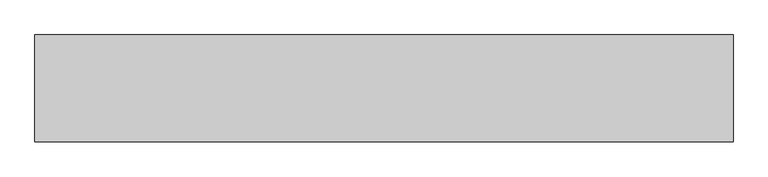
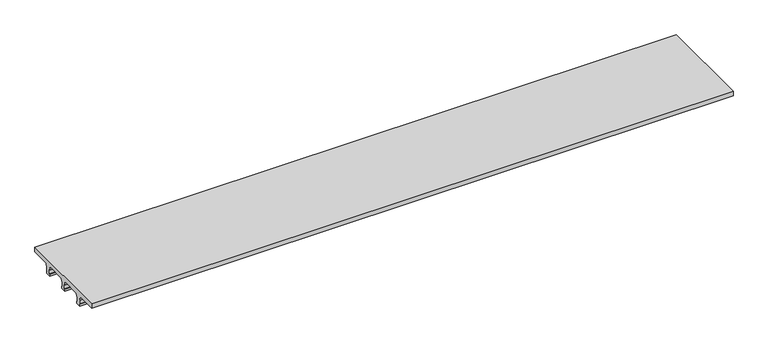
"""IFC4 building model written with IfcOpenShell, lengths in millimetres: proxy geometry."""

from ifc_helpers import new_model, si_unit, frame, origin, place, context, project, spatial, polyline, outline, extrude, source, transform, mapped, element, save


def generic_models_1f5d59e9(model_context):
    return source(origin(), model_context, "Body", "SweptSolid", [
        extrude(outline(polyline([(11994.5031943, 200.0), (11974.5031943, 120.0), (11974.5031943, 50.0), (11986.5031943, 50.0), (11986.5031943, 10.0), (11882.5031943, 10.0), (11882.5031943, 49.9310943), (11894.5031943, 49.9310943), (11894.5031943, 119.9310943), (11873.8876661, 202.3932068), (11505.0166413, 202.3932068), (11484.4183395, 120.0), (11484.4183395, 50.0), (11496.4183395, 50.0), (11496.4183395, 10.0), (11392.4183395, 10.0), (11392.4183395, 49.9310943), (11404.4183395, 49.9310943), (11404.4183395, 119.9310943), (11383.8028114, 202.3932068), (11014.9317865, 202.3932068), (10994.3334848, 120.0), (10994.3334848, 50.0), (11006.3334848, 50.0), (11006.3334848, 10.0), (10902.3334848, 10.0), (10902.3334848, 49.9310943), (10914.3334848, 49.9310943), (10914.3334848, 119.9310943), (10893.7179567, 202.3932068), (10524.8469318, 202.3932068), (10524.8469318, 290.0), (12364.588049, 290.0), (12364.588049, 200.0), (11994.5031943, 200.0)])), frame((-7476.7066252, 0.0, 0.0), z_axis=(1.0, 0.0, 0.0), x_axis=(0.0, 1.0, 0.0)), (0.0, 0.0, 1.0), 12026.8238549),
    ])


if __name__ == "__main__":
    model = new_model("IFC4")
    model_context = context("Model", 3, world=origin())
    ifc_project = project(units=[si_unit("LENGTHUNIT", "METRE", prefix="MILLI")], contexts=[model_context])
    site = spatial("IfcSite", under=ifc_project)
    building = spatial("IfcBuilding", under=site)
    placement = place(None, origin())
    generic_models_shape = generic_models_1f5d59e9(model_context)
    element("IfcBuildingElementProxy", 1, Name="Generic Models", at=placement, inside=building, context=model_context, shape_type="MappedRepresentation", body=[
        mapped(generic_models_shape, transform((0.0, 0.0, 0.0), x_axis=(1.0, 0.0, 0.0), y_axis=(0.0, 1.0, 0.0), z_axis=(0.0, 0.0, 1.0))),
    ])
    save(model, "model.ifc")
